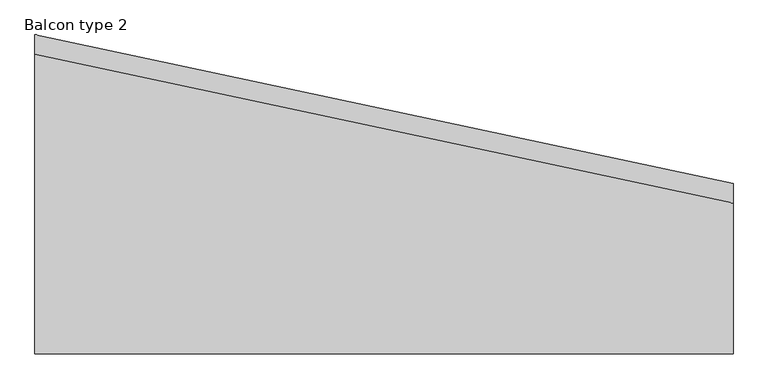
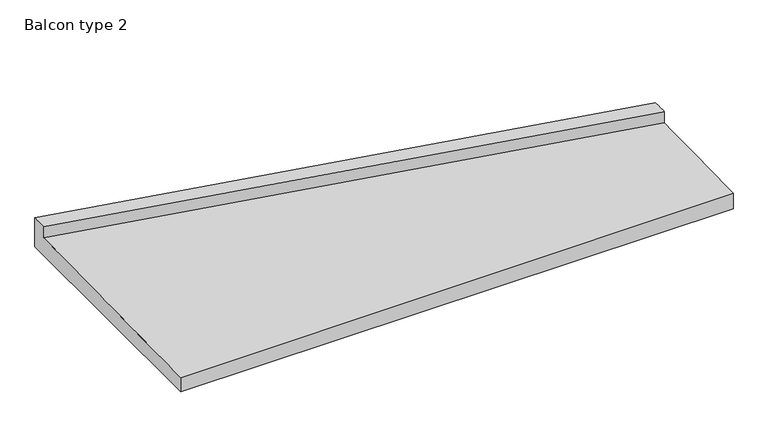
"""IFC4 building model written with IfcOpenShell, lengths in millimetres: proxy geometry, Balcon type 2."""

from ifc_helpers import new_model, si_unit, frame, origin, place, context, project, spatial, source, transform, mapped, element, save
from ifc_brep_helpers import plane_surface, spline_surface, advanced_brep


def balcon_type_2_57300d19(model_context):
    return source(origin(), model_context, "Body", "AdvancedBrep", [
        advanced_brep(
        [(6455.0, 1573.3, 0.0), (6455.0, 1573.3, 360.0), (6455.0, 1393.3, 356.993221), (6455.0, 1393.3, 219.6741255), (6455.0, 0.0, 196.3999856), (6455.0, 0.0, 0.0), (0.0, 2951.2, 0.0), (0.0, 0.0, 0.0), (0.0, 0.0, 175.7310351), (0.0, 2771.2, 219.984554), (0.0, 2771.2, 357.2999411), (0.0, 2951.2, 360.0)],
        [
            (0, 1),
            (1, 2),
            (2, 3),
            (3, 4),
            (4, 5),
            (5, 0),
            (6, 7),
            (7, 8),
            (8, 9),
            (9, 10),
            (10, 11),
            (11, 6),
            (11, 1),
            (0, 6),
            (10, 2),
            (9, 3),
            (8, 4),
            (7, 5),
        ],
        [
            plane_surface(frame((6455.0, 988.8666667, 188.8445553), z_axis=(1.0, 0.0, 0.0), x_axis=(0.0, 0.0, 1.0))),
            plane_surface(frame((0.0, 1907.4666667, 185.5025884), z_axis=(-1.0, 0.0, 0.0), x_axis=(0.0, 0.0, 1.0))),
            plane_surface(frame((0.0, 2951.2, 180.0), z_axis=(0.20875922878435588, 0.9779670671333268, 0.0), x_axis=(0.0, 0.0, 1.0))),
            spline_surface(1, 1, [[(0.0, 2951.2, 360.0), (6455.0, 1573.3, 360.0)], [(0.0, 2771.2, 357.2999411), (6455.0, 1393.3, 356.993221)]], [2, 2], [2, 2], [0.0, 1.0], [0.0, 1.0]),
            plane_surface(frame((0.0, 2771.2, 288.6422476), z_axis=(-0.20875922878435593, -0.9779670671333268, 0.0), x_axis=(0.0, 0.0, -1.0))),
            spline_surface(1, 1, [[(0.0, 2771.2, 219.984554), (6455.0, 1393.3, 219.6741255)], [(0.0, 0.0, 175.7310351), (6455.0, 0.0, 196.3999856)]], [2, 2], [2, 2], [0.0, 1.0], [0.0, 1.0]),
            plane_surface(frame((0.0, 0.0, 87.8655176), z_axis=(0.0, -1.0, 0.0), x_axis=(0.0, 0.0, -1.0))),
            plane_surface(frame((0.0, 1475.6, 0.0), z_axis=(0.0, 0.0, -1.0), x_axis=(0.0, 1.0, 0.0))),
        ],
        [
            (0, [[1, 2, 3, 4, 5, 6]]),
            (1, [[7, 8, 9, 10, 11, 12]]),
            (2, [[-12, 13, -1, 14]]),
            (3, [[-11, 15, -2, -13]]),
            (4, [[-10, 16, -3, -15]]),
            (5, [[-9, 17, -4, -16]]),
            (6, [[-8, 18, -5, -17]]),
            (7, [[-7, -14, -6, -18]]),
        ],
    ),
    ])


if __name__ == "__main__":
    model = new_model("IFC4")
    model_context = context("Model", 3, world=origin())
    ifc_project = project(units=[si_unit("LENGTHUNIT", "METRE", prefix="MILLI")], contexts=[model_context])
    site = spatial("IfcSite", under=ifc_project)
    building = spatial("IfcBuilding", under=site)
    placement = place(None, origin())
    balcon_type_2_shape = balcon_type_2_57300d19(model_context)
    element("IfcBuildingElementProxy", 1, Name="Balcon type 2", ObjectType="Balcon type 2", at=placement, inside=building, context=model_context, shape_type="MappedRepresentation", body=[
        mapped(balcon_type_2_shape, transform((0.0, 0.0, 0.0), x_axis=(1.0, 0.0, 0.0), y_axis=(0.0, 1.0, 0.0), z_axis=(0.0, 0.0, 1.0))),
    ])
    save(model, "model.ifc")
